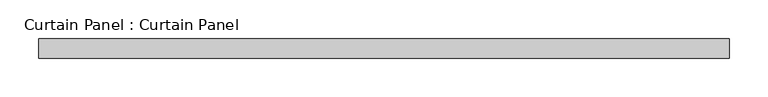
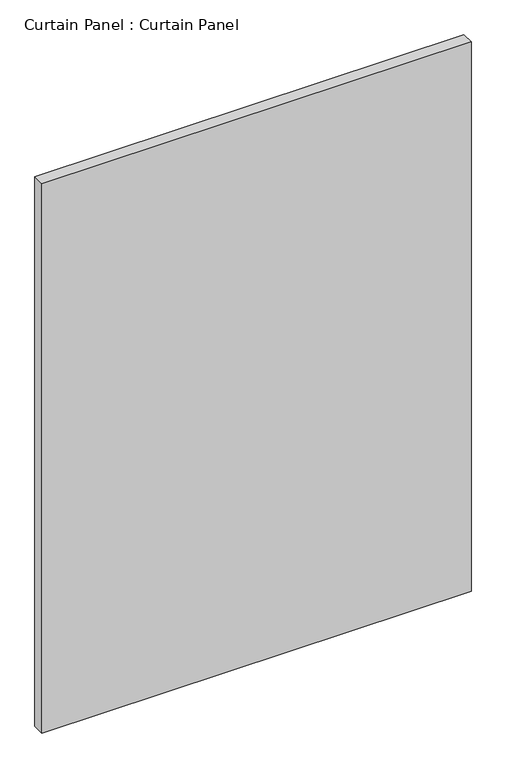
"""IFC4 building model written with IfcOpenShell, lengths in millimetres: plate geometry, Curtain Panel : Curtain Panel."""

from ifc_helpers import new_model, si_unit, frame, origin, place, context, project, spatial, polyline, outline, extrude, source, transform, mapped, element, save


def curtain_panel_curtain_panel_edf8a8f6(model_context):
    return source(origin(), model_context, "Body", "SweptSolid", [
        extrude(outline(polyline([(-36229.4238006, -1996.9602036), (-37124.8194373, -1996.9602036), (-37124.8194373, -1971.5602036), (-36229.4238006, -1971.5602036), (-36229.4238006, -1996.9602036)])), frame((0.0, 0.0, 537.3145252), z_axis=(0.0, 0.0, 1.0), x_axis=(1.0, 0.0, 0.0)), (0.0, 0.0, 1.0), 1211.4628155),
    ])


if __name__ == "__main__":
    model = new_model("IFC4")
    model_context = context("Model", 3, world=origin())
    ifc_project = project(units=[si_unit("LENGTHUNIT", "METRE", prefix="MILLI")], contexts=[model_context])
    site = spatial("IfcSite", under=ifc_project)
    building = spatial("IfcBuilding", under=site)
    placement = place(None, origin())
    curtain_panel_curtain_panel_shape = curtain_panel_curtain_panel_edf8a8f6(model_context)
    element("IfcPlate", 1, ObjectType="Curtain Panel : Curtain Panel", at=placement, inside=building, context=model_context, shape_type="MappedRepresentation", body=[
        mapped(curtain_panel_curtain_panel_shape, transform((0.0, 0.0, 0.0), x_axis=(1.0, 0.0, 0.0), y_axis=(0.0, 1.0, 0.0), z_axis=(0.0, 0.0, 1.0))),
    ])
    save(model, "model.ifc")
